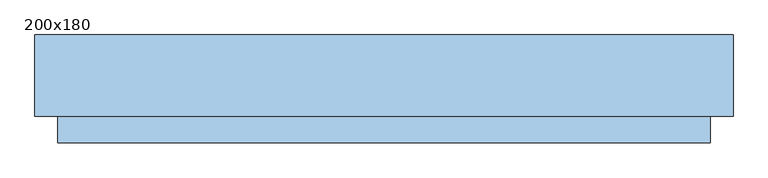
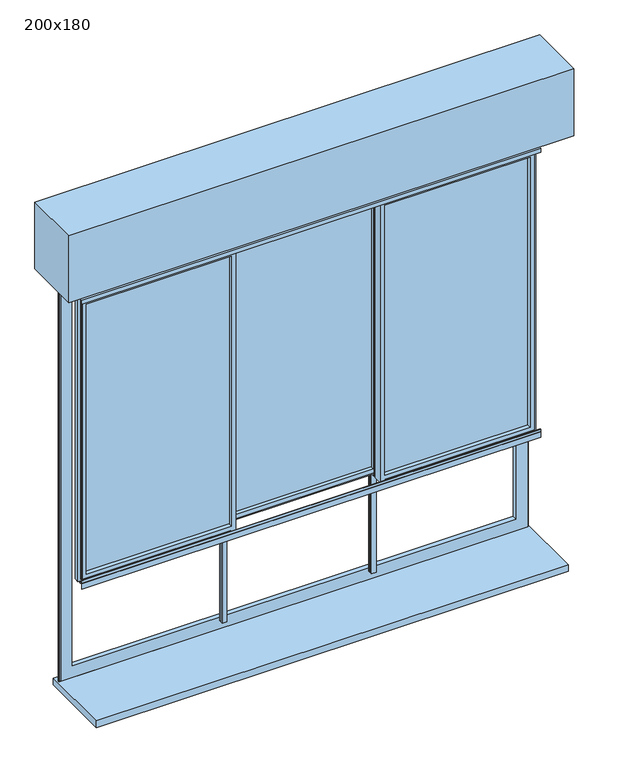
"""IFC4 building model written with IfcOpenShell, lengths in millimetres: window geometry, 200x180."""

import ifcopenshell
import ifcopenshell.guid

model = None  # the IFC model being written
_history = None  # IfcOwnerHistory: only IFC2X3 demands one
_inside = {}  # id of a spatial element -> (the spatial element, [elements in it])
_under = {}  # id of a project, library or spatial element -> (it, [spatial elements below it])
_declared = {}  # id of a project -> (the project, [libraries it declares])
_typed = {}  # id of a type object -> (the type object, [elements of that type])
_made_of = {}  # id of a material, layer set ... -> (it, [elements and type objects made of it])


def new_model(schema):
    """Start an empty IFC model of exactly this schema.

    Asked for "IFC4X3", IfcOpenShell would pick the latest addendum, in which some entities
    have other attributes; the version numbers below select the first issue.
    IFC2X3 requires an IfcOwnerHistory on every rooted entity: one is made here for all.
    """
    global model, _history
    if schema == "IFC4X3":
        model = ifcopenshell.file(schema_version=(4, 3, 0, 0))
    else:
        model = ifcopenshell.file(schema=schema)
    _inside.clear()
    _under.clear()
    _declared.clear()
    _typed.clear()
    _made_of.clear()
    _history = None
    if model.schema == "IFC2X3":
        org = make("IfcOrganization", Name="unknown")
        user = make(
            "IfcPersonAndOrganization",
            ThePerson=make("IfcPerson", FamilyName="unknown"),
            TheOrganization=org,
        )
        app = make(
            "IfcApplication",
            ApplicationDeveloper=org,
            Version="unknown",
            ApplicationFullName="unknown",
            ApplicationIdentifier="unknown",
        )
        _history = make(
            "IfcOwnerHistory",
            OwningUser=user,
            OwningApplication=app,
            ChangeAction="ADDED",
            CreationDate=0,
        )
    return model


def make(cls, **values):
    """One entity of the class cls with the attributes given. An attribute that is None is left unset."""
    return model.create_entity(
        cls, **{name: value for name, value in values.items() if value is not None}
    )


def rooted(cls, **values):
    """An entity with a GlobalId (a new one), such as an element, a storey or a relation."""
    return make(cls, GlobalId=ifcopenshell.guid.new(), OwnerHistory=_history, **values)


def si_unit(unit_type, name, prefix=None):
    """IfcSIUnit, for example si_unit("LENGTHUNIT", "METRE", prefix="MILLI")."""
    return make("IfcSIUnit", UnitType=unit_type, Prefix=prefix, Name=name)


def assignment(units):
    """IfcUnitAssignment: the units of a project."""
    return None if units is None else make("IfcUnitAssignment", Units=units)


def point(xyz):
    """IfcCartesianPoint."""
    return None if xyz is None else make("IfcCartesianPoint", Coordinates=xyz)


def direction(xyz):
    """IfcDirection."""
    return None if xyz is None else make("IfcDirection", DirectionRatios=xyz)


def frame(location, z_axis=None, x_axis=None):
    """IfcAxis2Placement3D, a coordinate frame: its origin and axes. An axis left out is left unset."""
    return make(
        "IfcAxis2Placement3D",
        Location=point(location),
        Axis=direction(z_axis),
        RefDirection=direction(x_axis),
    )


def origin():
    """The frame at (0, 0, 0) with its axes left unset."""
    return frame((0.0, 0.0, 0.0))


def place(relative_to, where):
    """IfcLocalPlacement: puts the frame where relative to a parent placement (None: the world)."""
    return make(
        "IfcLocalPlacement", PlacementRelTo=relative_to, RelativePlacement=where
    )


def context(
    kind, dimensions, precision=None, world=None, true_north=None, identifier=None
):
    """IfcGeometricRepresentationContext, for example the 3D "Model" context."""
    return make(
        "IfcGeometricRepresentationContext",
        ContextIdentifier=identifier,
        ContextType=kind,
        CoordinateSpaceDimension=dimensions,
        Precision=precision,
        WorldCoordinateSystem=world,
        TrueNorth=true_north,
    )


def project(units=None, contexts=None):
    """IfcProject with its units and contexts."""
    return rooted(
        "IfcProject",
        Name="project",
        RepresentationContexts=contexts,
        UnitsInContext=assignment(units),
    )


def spatial(cls, under=None, at=None, **own):
    """A site, building, storey or space (cls), placed at a placement, below another one or the project."""
    s = rooted(cls, ObjectPlacement=at, **own)
    if under is not None:
        _under.setdefault(under.id(), (under, []))[1].append(s)
    return s


def polyline(points):
    """IfcPolyline through the points."""
    return make("IfcPolyline", Points=[point(p) for p in points])


def outline(outer, holes=None, kind="AREA"):
    """IfcArbitraryClosedProfileDef: a profile drawn as a closed curve; with holes, ...WithVoids."""
    if holes is None:
        return make("IfcArbitraryClosedProfileDef", ProfileType=kind, OuterCurve=outer)
    return make(
        "IfcArbitraryProfileDefWithVoids",
        ProfileType=kind,
        OuterCurve=outer,
        InnerCurves=holes,
    )


def extrude(swept, where, along, depth):
    """IfcExtrudedAreaSolid: the profile swept, set in the frame where, extruded along a direction by depth."""
    return make(
        "IfcExtrudedAreaSolid",
        SweptArea=swept,
        Position=where,
        ExtrudedDirection=direction(along),
        Depth=depth,
    )


def faces_of(points, faces, orient=None, outer=None):
    """IfcFace entities. A face is a list of loops; a loop is a list of indices into points, from 0.

    orient and outer hold one flag for each loop. By default every Orientation is true, the
    first loop of a face is its IfcFaceOuterBound and the others are IfcFaceBound.
    """
    made = []
    for i, loops in enumerate(faces):
        bounds = []
        for j, loop in enumerate(loops):
            is_outer = j == 0 if outer is None else outer[i][j]
            bounds.append(
                make(
                    "IfcFaceOuterBound" if is_outer else "IfcFaceBound",
                    Bound=make("IfcPolyLoop", Polygon=[points[k] for k in loop]),
                    Orientation=True if orient is None else orient[i][j],
                )
            )
        made.append(make("IfcFace", Bounds=bounds))
    return made


def faceted_brep(points, faces, orient=None, outer=None, voids=None):
    """IfcFacetedBrep: a solid bounded by flat faces; with voids (closed shells), ...WithVoids."""
    shared = [point(p) for p in points]
    hull = make("IfcClosedShell", CfsFaces=faces_of(shared, faces, orient, outer))
    if voids is None:
        return make("IfcFacetedBrep", Outer=hull)
    return make(
        "IfcFacetedBrepWithVoids",
        Outer=hull,
        Voids=[
            make(cls, CfsFaces=faces_of(shared, fs, o, b)) for cls, fs, o, b in voids
        ],
    )


def shape(context_of_items, identifier, shape_type, items):
    """IfcShapeRepresentation: the items that make up one representation, for example the "Body"."""
    return make(
        "IfcShapeRepresentation",
        ContextOfItems=context_of_items,
        RepresentationIdentifier=identifier,
        RepresentationType=shape_type,
        Items=items,
    )


def source(mapping_origin, context_of_items, identifier, shape_type, items):
    """IfcRepresentationMap: a shape defined once, which mapped items show again and again."""
    return make(
        "IfcRepresentationMap",
        MappingOrigin=mapping_origin,
        MappedRepresentation=shape(context_of_items, identifier, shape_type, items),
    )


def transform(
    local_origin,
    x_axis=None,
    y_axis=None,
    z_axis=None,
    scale=None,
    scale2=None,
    scale3=None,
    uniform=True,
):
    """IfcCartesianTransformationOperator3D, or its non-uniform kind. x_axis, y_axis, z_axis: its Axis1, 2, 3."""
    if uniform:
        return make(
            "IfcCartesianTransformationOperator3D",
            Axis1=direction(x_axis),
            Axis2=direction(y_axis),
            LocalOrigin=point(local_origin),
            Scale=scale,
            Axis3=direction(z_axis),
        )
    return make(
        "IfcCartesianTransformationOperator3DnonUniform",
        Axis1=direction(x_axis),
        Axis2=direction(y_axis),
        LocalOrigin=point(local_origin),
        Scale=scale,
        Axis3=direction(z_axis),
        Scale2=scale2,
        Scale3=scale3,
    )


def mapped(mapping_source, mapping_target):
    """IfcMappedItem: shows the shape of a source again, moved by a transform."""
    return make(
        "IfcMappedItem", MappingSource=mapping_source, MappingTarget=mapping_target
    )


def made_of(thing, what):
    """Note that an element or type object is made of a material, layer set ...; save() writes the relation."""
    if what is not None:
        _made_of.setdefault(what.id(), (what, []))[1].append(thing)
    return thing


def element(
    cls,
    number,
    at=None,
    inside=None,
    cuts=None,
    type_object=None,
    material=None,
    context=None,
    identifier="Body",
    shape_type=None,
    held_by="IfcProductDefinitionShape",
    body=None,
    shapes=None,
    **own,
):
    """One element of the class cls, such as IfcWall. Its Tag is "e" and its number.

    at: its placement. inside: the storey or other place that contains it. cuts: it is an
    opening in that element (IfcRelVoidsElement). A single representation is given by context,
    identifier, shape_type and body (its items); several are given by shapes. held_by: the class
    of the entity that holds the representations. save() writes the other relations.
    """
    e = rooted(cls, Tag="e%d" % number, ObjectPlacement=at, **own)
    if body is not None:
        shapes = [shape(context, identifier, shape_type, body)]
    if shapes is not None:
        e.Representation = make(held_by, Representations=shapes)
    if inside is not None:
        _inside.setdefault(inside.id(), (inside, []))[1].append(e)
    if cuts is not None:
        rooted(
            "IfcRelVoidsElement", RelatingBuildingElement=cuts, RelatedOpeningElement=e
        )
    if type_object is not None:
        _typed.setdefault(type_object.id(), (type_object, []))[1].append(e)
    return made_of(e, material)


def aggregate(whole, parts):
    """IfcRelAggregates: a whole, such as a stair, and the parts it consists of."""
    return rooted("IfcRelAggregates", RelatingObject=whole, RelatedObjects=parts)


def save(model, path):
    """Write the relations noted so far, then the file.

    IfcRelAggregates (storeys below a building ...), IfcRelContainedInSpatialStructure (elements
    in a storey), IfcRelDefinesByType, IfcRelAssociatesMaterial and IfcRelDeclares: one each for
    every whole, place, type object, material and project.
    """
    for whole, parts in _under.values():
        aggregate(whole, parts)
    for where, things in _inside.values():
        rooted(
            "IfcRelContainedInSpatialStructure",
            RelatedElements=things,
            RelatingStructure=where,
        )
    for kind, things in _typed.values():
        rooted("IfcRelDefinesByType", RelatedObjects=things, RelatingType=kind)
    for what, things in _made_of.values():
        rooted("IfcRelAssociatesMaterial", RelatedObjects=things, RelatingMaterial=what)
    for by, libraries in _declared.values():
        rooted("IfcRelDeclares", RelatingContext=by, RelatedDefinitions=libraries)
    model.write(path)


def window_200x180_13e6b09a(model_context):
    return source(origin(), model_context, "Body", "SolidModel", [
        extrude(outline(polyline([(1871.5, 940.7), (1775.5, 940.7), (1775.5, 966.7), (1871.5, 966.7), (1871.5, 940.7)]), holes=[polyline([(1778.5, 963.7), (1778.5, 943.7), (1868.5, 943.7), (1868.5, 963.7), (1778.5, 963.7)])]), frame((0.0, 32.25, 0.0), z_axis=(0.0, 1.0, 0.0), x_axis=(0.0, 0.0, 1.0)), (0.0, 0.0, 1.0), 10.0),
        extrude(outline(polyline([(1871.5, -888.3), (1871.5, -914.3), (1775.5, -914.3), (1775.5, -888.3), (1871.5, -888.3)]), holes=[polyline([(1778.5, -911.3), (1868.5, -911.3), (1868.5, -891.3), (1778.5, -891.3), (1778.5, -911.3)])]), frame((0.0, 32.65, 0.0), z_axis=(0.0, 1.0, 0.0), x_axis=(0.0, 0.0, 1.0)), (0.0, 0.0, 1.0), 10.0),
        extrude(outline(polyline([(1096.2, -93.75), (-1043.8, -93.75), (-1043.8, 156.25), (1096.2, 156.25), (1096.2, -93.75)])), frame((0.0, 0.0, 2523.5), z_axis=(0.0, 0.0, 1.0), x_axis=(1.0, 0.0, 0.0)), (0.0, 0.0, 1.0), 300.0),
        extrude(outline(polyline([(57.45, 2431.9), (61.75, 2431.9), (61.75, 2434.1), (67.4000001, 2434.1), (67.4000001, 2443.9), (88.6999999, 2443.9), (88.6999999, 2434.1), (94.35, 2434.1), (94.35, 2431.9), (98.65, 2431.9), (98.65, 2414.0), (81.05, 2414.0), (81.05, 2423.4), (75.05, 2423.4), (75.05, 2414.0), (57.45, 2414.0), (57.45, 2431.9)])), frame((-290.1333333, 0.0, 0.0), z_axis=(1.0, 0.0, 0.0), x_axis=(0.0, 1.0, 0.0)), (0.0, 0.0, 1.0), 632.6666667),
        extrude(outline(polyline([(57.45, 1186.15), (57.45, 1204.05), (75.05, 1204.05), (75.05, 1194.65), (81.05, 1194.65), (81.05, 1204.05), (98.65, 1204.05), (98.65, 1186.15), (94.35, 1186.15), (94.35, 1183.95), (88.6999999, 1183.95), (88.6999999, 1174.15), (67.4000001, 1174.15), (67.4000001, 1183.95), (61.75, 1183.95), (61.75, 1186.15), (57.45, 1186.15)])), frame((-290.1333333, 0.0, 0.0), z_axis=(1.0, 0.0, 0.0), x_axis=(0.0, 1.0, 0.0)), (0.0, 0.0, 1.0), 632.6666667),
        extrude(outline(polyline([(-288.6333333, 87.45), (-280.1333333, 87.45), (-280.1333333, 81.05), (-300.1333333, 81.05), (-300.1333333, 87.45), (-291.6333333, 87.45), (-291.6333333, 96.25), (-288.6333333, 96.25), (-288.6333333, 87.45)])), frame((0.0, 0.0, 729.0), z_axis=(0.0, 0.0, 1.0), x_axis=(1.0, 0.0, 0.0)), (0.0, 0.0, 1.0), 444.5),
        extrude(outline(polyline([(-300.1333333, 69.05), (-300.1333333, 75.05), (-280.1333333, 75.05), (-280.1333333, 69.05), (-300.1333333, 69.05)])), frame((0.0, 0.0, 729.0), z_axis=(0.0, 0.0, 1.0), x_axis=(1.0, 0.0, 0.0)), (0.0, 0.0, 1.0), 444.5),
        extrude(outline(polyline([(341.0333333, 87.45), (341.0333333, 96.25), (344.0333333, 96.25), (344.0333333, 87.45), (352.5333333, 87.45), (352.5333333, 81.05), (332.5333333, 81.05), (332.5333333, 87.45), (341.0333333, 87.45)])), frame((0.0, 0.0, 729.0), z_axis=(0.0, 0.0, 1.0), x_axis=(1.0, 0.0, 0.0)), (0.0, 0.0, 1.0), 444.5),
        extrude(outline(polyline([(352.5333333, 69.05), (332.5333333, 69.05), (332.5333333, 75.05), (352.5333333, 75.05), (352.5333333, 69.05)])), frame((0.0, 0.0, 729.0), z_axis=(0.0, 0.0, 1.0), x_axis=(1.0, 0.0, 0.0)), (0.0, 0.0, 1.0), 444.5),
        extrude(outline(polyline([(-923.7, 20.25), (-923.7, 26.25), (-289.1333333, 26.25), (-289.1333333, 20.25), (-923.7, 20.25)])), frame((0.0, 0.0, 1194.65), z_axis=(0.0, 0.0, 1.0), x_axis=(1.0, 0.0, 0.0)), (0.0, 0.0, 1.0), 1228.75),
        extrude(outline(polyline([(976.1, 20.25), (342.5333333, 20.25), (342.5333333, 26.25), (976.1, 26.25), (976.1, 20.25)])), frame((0.0, 0.0, 1194.65), z_axis=(0.0, 0.0, 1.0), x_axis=(1.0, 0.0, 0.0)), (0.0, 0.0, 1.0), 1228.75),
        extrude(outline(polyline([(342.5333333, 75.05), (-290.1333333, 75.05), (-290.1333333, 81.05), (342.5333333, 81.05), (342.5333333, 75.05)])), frame((0.0, 0.0, 1194.65), z_axis=(0.0, 0.0, 1.0), x_axis=(1.0, 0.0, 0.0)), (0.0, 0.0, 1.0), 1228.75),
        faceted_brep([(-281.1333333, 2.65, 1173.5), (-299.1333333, 2.65, 1173.5), (-299.1333333, 14.25, 1173.5), (-288.9081444, 14.25, 1173.5), (-288.9081444, 32.25, 1173.5), (-299.1333333, 32.25, 1173.5), (-299.1333333, 43.85, 1173.5), (-284.9364704, 43.85, 1173.5), (-284.9364704, 50.1440374, 1173.5), (-288.2414696, 50.1440374, 1173.5), (-292.4491159, 51.5636227, 1173.5), (-292.4491159, 53.95, 1173.5), (-283.1599431, 53.95, 1173.5), (-283.1599431, 43.85, 1173.5), (-281.1333333, 43.85, 1173.5), (-281.1333333, 2.65, 2443.9), (-281.1333333, 43.85, 2443.9), (-283.1599431, 43.85, 2443.9), (-283.1599431, 53.95, 2443.9), (-292.4491159, 53.95, 2443.9), (-292.4491159, 51.5636227, 2443.9), (-288.2414696, 50.1440374, 2443.9), (-284.9364704, 50.1440374, 2443.9), (-284.9364704, 43.85, 2443.9), (-299.1333333, 43.85, 2443.9), (-299.1333333, 33.8999999, 2443.9), (-944.2, 33.8999999, 2443.9), (-944.2, 12.6000001, 2443.9), (-299.1333333, 12.6000001, 2443.9), (-299.1333333, 2.65, 2443.9), (-288.9081444, 14.25, 2443.9), (-290.1333333, 14.25, 2443.9), (-290.1333333, 32.25, 2443.9), (-288.9081444, 32.25, 2443.9), (-299.1333333, 2.65, 2431.9), (-932.2, 2.65, 2431.9), (-932.2, 2.65, 1185.9300791), (-299.1333333, 2.65, 1185.9300791), (-914.3, 2.65, 2414.0), (-299.1333333, 2.65, 2414.0), (-299.1333333, 2.65, 1203.8300791), (-914.3, 2.65, 1203.8300791), (-299.1333333, 6.95, 1185.9300791), (-299.1333333, 6.95, 1183.7300791), (-299.1333333, 12.6000001, 1183.7300791), (-299.1333333, 12.6000001, 1173.9300791), (-299.1333333, 14.25, 1173.9300791), (-299.1333333, 12.6000001, 2434.1), (-299.1333333, 6.95, 2434.1), (-299.1333333, 6.95, 2431.9), (-299.1333333, 14.25, 2414.0), (-299.1333333, 14.25, 1203.8300791), (-290.1333333, 14.25, 1173.9300791), (-290.1333333, 14.25, 1203.8300791), (-290.1333333, 14.25, 2414.0), (-290.1333333, 32.25, 2414.0), (-299.1333333, 32.25, 2414.0), (-299.1333333, 32.25, 1203.8300791), (-290.1333333, 32.25, 1203.8300791), (-290.1333333, 32.25, 1173.9300791), (-299.1333333, 32.25, 1173.9300791), (-299.1333333, 33.8999999, 1173.9300791), (-299.1333333, 33.8999999, 1183.7300791), (-299.1333333, 39.55, 1183.7300791), (-299.1333333, 39.55, 1185.9300791), (-299.1333333, 43.85, 1185.9300791), (-299.1333333, 43.85, 2431.9), (-299.1333333, 39.55, 2431.9), (-299.1333333, 39.55, 2434.1), (-299.1333333, 33.8999999, 2434.1), (-299.1333333, 43.85, 2414.0), (-299.1333333, 43.85, 1203.8300791), (-290.1333333, 20.25, 1203.8300791), (-290.1333333, 26.25, 1203.8300791), (-290.1333333, 26.25, 1194.4300791), (-290.1333333, 20.25, 1194.4300791), (-914.3, 20.25, 1203.8300791), (-923.7, 20.25, 1194.4300791), (-923.7, 20.25, 2423.4), (-290.1333333, 20.25, 2423.4), (-290.1333333, 20.25, 2414.0), (-914.3, 20.25, 2414.0), (-923.7, 26.25, 1194.4300791), (-914.3, 26.25, 1203.8300791), (-914.3, 26.25, 2414.0), (-290.1333333, 26.25, 2414.0), (-290.1333333, 26.25, 2423.4), (-923.7, 26.25, 2423.4), (-914.3, 43.85, 1203.8300791), (-932.2, 43.85, 1185.9300791), (-932.2, 39.55, 1185.9300791), (-934.4, 39.55, 1183.7300791), (-934.4, 39.55, 2434.1), (-932.2, 39.55, 2431.9), (-934.4, 33.8999999, 1183.7300791), (-944.2, 33.8999999, 1173.9300791), (-934.4, 33.8999999, 2434.1), (-944.2, 12.6000001, 1173.9300791), (-934.4, 12.6000001, 1183.7300791), (-934.4, 12.6000001, 2434.1), (-934.4, 6.95, 1183.7300791), (-932.2, 6.95, 1185.9300791), (-932.2, 6.95, 2431.9), (-934.4, 6.95, 2434.1), (-914.3, 43.85, 2414.0), (-932.2, 43.85, 2431.9)], [[[0, 1, 2, 3, 4, 5, 6, 7, 8, 9, 10, 11, 12, 13, 14]], [[15, 16, 17, 18, 19, 20, 21, 22, 23, 24, 25, 26, 27, 28, 29], [30, 31, 32, 33]], [[0, 15, 29, 34, 35, 36, 37, 1], [38, 39, 40, 41]], [[1, 37, 42, 43, 44, 45, 46, 2]], [[28, 47, 48, 49, 34, 29]], [[39, 50, 51, 40]], [[2, 46, 52, 53, 51, 50, 54, 31, 30, 3]], [[3, 30, 33, 4]], [[4, 33, 32, 55, 56, 57, 58, 59, 60, 5]], [[5, 60, 61, 62, 63, 64, 65, 6]], [[24, 66, 67, 68, 69, 25]], [[56, 70, 71, 57]], [[13, 17, 16, 14]], [[72, 53, 52, 59, 58, 73, 74, 75]], [[41, 40, 51, 53, 72, 76]], [[75, 77, 78, 79, 80, 81, 76, 72]], [[74, 82, 77, 75]], [[73, 83, 84, 85, 86, 87, 82, 74]], [[73, 58, 57, 71, 88, 83]], [[89, 65, 64, 90]], [[90, 64, 63, 91, 92, 68, 67, 93]], [[91, 63, 62, 94]], [[94, 62, 61, 95, 26, 25, 69, 96]], [[95, 61, 60, 59, 52, 46, 45, 97]], [[97, 45, 44, 98, 99, 47, 28, 27]], [[98, 44, 43, 100]], [[100, 43, 42, 101, 102, 49, 48, 103]], [[101, 42, 37, 36]], [[41, 76, 81, 38]], [[77, 82, 87, 78]], [[83, 88, 104, 84]], [[89, 90, 93, 105]], [[91, 94, 96, 92]], [[95, 97, 27, 26]], [[98, 100, 103, 99]], [[35, 102, 101, 36]], [[79, 86, 85, 55, 32, 31, 54, 80]], [[80, 54, 50, 39, 38, 81]], [[78, 87, 86, 79]], [[84, 104, 70, 56, 55, 85]], [[93, 67, 66, 105]], [[96, 69, 68, 92]], [[103, 48, 47, 99]], [[35, 34, 49, 102]], [[14, 16, 15, 0]], [[12, 18, 17, 13]], [[11, 19, 18, 12]], [[10, 20, 19, 11]], [[9, 21, 20, 10]], [[8, 22, 21, 9]], [[7, 23, 22, 8]], [[6, 65, 89, 105, 66, 24, 23, 7], [88, 71, 70, 104]]]),
        faceted_brep([(-299.1333333, 98.65, 1173.5), (-281.1333333, 98.65, 1173.5), (-281.1333333, 87.05, 1173.5), (-291.5067236, 87.05, 1173.5), (-291.5067236, 69.05, 1173.5), (-281.1333333, 69.05, 1173.5), (-281.1333333, 57.45, 1173.5), (-295.4150676, 57.45, 1173.5), (-295.4150676, 51.1559626, 1173.5), (-292.0251971, 51.1559626, 1173.5), (-287.8175508, 49.7071538, 1173.5), (-287.8175508, 47.35, 1173.5), (-297.1915949, 47.35, 1173.5), (-297.1915949, 57.45, 1173.5), (-299.1333333, 57.45, 1173.5), (-299.1333333, 98.65, 2443.9), (-299.1333333, 57.45, 2443.9), (-297.1915949, 57.45, 2443.9), (-297.1915949, 47.35, 2443.9), (-287.8175508, 47.35, 2443.9), (-287.8175508, 49.7071538, 2443.9), (-292.0251971, 51.1559626, 2443.9), (-295.4150676, 51.1559626, 2443.9), (-295.4150676, 57.45, 2443.9), (-281.1333333, 57.45, 2443.9), (-281.1333333, 69.05, 2443.9), (-291.5067236, 69.05, 2443.9), (-291.5067236, 87.05, 2443.9), (-281.1333333, 87.05, 2443.9), (-281.1333333, 98.65, 2443.9)], [[[0, 1, 2, 3, 4, 5, 6, 7, 8, 9, 10, 11, 12, 13, 14]], [[15, 16, 17, 18, 19, 20, 21, 22, 23, 24, 25, 26, 27, 28, 29]], [[0, 15, 29, 1]], [[1, 29, 28, 2]], [[2, 28, 27, 3]], [[3, 27, 26, 4]], [[4, 26, 25, 5]], [[7, 23, 22, 8]], [[8, 22, 21, 9]], [[9, 21, 20, 10]], [[10, 20, 19, 11]], [[11, 19, 18, 12]], [[12, 18, 17, 13]], [[13, 17, 16, 14]], [[14, 16, 15, 0]], [[6, 24, 23, 7]], [[5, 25, 24, 6]]]),
        faceted_brep([(333.5333333, 2.65, 1173.5), (333.5333333, 43.85, 1173.5), (335.5599431, 43.85, 1173.5), (335.5599431, 53.95, 1173.5), (344.8491159, 53.95, 1173.5), (344.8491159, 51.5636227, 1173.5), (340.6414696, 50.1440374, 1173.5), (337.3364704, 50.1440374, 1173.5), (337.3364704, 43.85, 1173.5), (351.5333333, 43.85, 1173.5), (351.5333333, 32.25, 1173.5), (341.3081444, 32.25, 1173.5), (341.3081444, 14.25, 1173.5), (351.5333333, 14.25, 1173.5), (351.5333333, 2.65, 1173.5), (333.5333333, 2.65, 2443.9), (351.5333333, 2.65, 2443.9), (351.5333333, 12.6000001, 2443.9), (996.6, 12.6000001, 2443.9), (996.6, 33.8999999, 2443.9), (351.5333333, 33.8999999, 2443.9), (351.5333333, 43.85, 2443.9), (337.3364704, 43.85, 2443.9), (337.3364704, 50.1440374, 2443.9), (340.6414696, 50.1440374, 2443.9), (344.8491159, 51.5636227, 2443.9), (344.8491159, 53.95, 2443.9), (335.5599431, 53.95, 2443.9), (335.5599431, 43.85, 2443.9), (333.5333333, 43.85, 2443.9), (341.3081444, 14.25, 2443.9), (341.3081444, 32.25, 2443.9), (342.5333333, 32.25, 2443.9), (342.5333333, 14.25, 2443.9), (342.5333333, 26.25, 1203.8300791), (342.5333333, 32.25, 1203.8300791), (342.5333333, 32.25, 1173.9300791), (342.5333333, 14.25, 1173.9300791), (342.5333333, 14.25, 1203.8300791), (342.5333333, 20.25, 1203.8300791), (342.5333333, 20.25, 1194.4300791), (342.5333333, 26.25, 1194.4300791), (342.5333333, 20.25, 2414.0), (342.5333333, 14.25, 2414.0), (342.5333333, 32.25, 2414.0), (342.5333333, 26.25, 2414.0), (342.5333333, 26.25, 2423.4), (342.5333333, 20.25, 2423.4), (966.7, 43.85, 1203.8300791), (351.5333333, 43.85, 1203.8300791), (351.5333333, 32.25, 1203.8300791), (966.7, 26.25, 1203.8300791), (976.1, 26.25, 1194.4300791), (976.1, 26.25, 2423.4), (966.7, 26.25, 2414.0), (976.1, 20.25, 1194.4300791), (966.7, 20.25, 1203.8300791), (966.7, 20.25, 2414.0), (976.1, 20.25, 2423.4), (351.5333333, 14.25, 1203.8300791), (351.5333333, 2.65, 1203.8300791), (966.7, 2.65, 1203.8300791), (984.6, 2.65, 1185.9300791), (351.5333333, 2.65, 1185.9300791), (351.5333333, 6.95, 1185.9300791), (984.6, 6.95, 1185.9300791), (351.5333333, 6.95, 1183.7300791), (986.8, 6.95, 1183.7300791), (986.8, 6.95, 2434.1), (351.5333333, 6.95, 2434.1), (351.5333333, 6.95, 2431.9), (984.6, 6.95, 2431.9), (351.5333333, 12.6000001, 1183.7300791), (986.8, 12.6000001, 1183.7300791), (351.5333333, 12.6000001, 1173.9300791), (996.6, 12.6000001, 1173.9300791), (351.5333333, 12.6000001, 2434.1), (986.8, 12.6000001, 2434.1), (351.5333333, 14.25, 1173.9300791), (351.5333333, 32.25, 1173.9300791), (351.5333333, 33.8999999, 1173.9300791), (996.6, 33.8999999, 1173.9300791), (351.5333333, 33.8999999, 1183.7300791), (986.8, 33.8999999, 1183.7300791), (986.8, 33.8999999, 2434.1), (351.5333333, 33.8999999, 2434.1), (351.5333333, 39.55, 1183.7300791), (986.8, 39.55, 1183.7300791), (351.5333333, 39.55, 1185.9300791), (984.6, 39.55, 1185.9300791), (984.6, 39.55, 2431.9), (351.5333333, 39.55, 2431.9), (351.5333333, 39.55, 2434.1), (986.8, 39.55, 2434.1), (351.5333333, 43.85, 1185.9300791), (984.6, 43.85, 1185.9300791), (966.7, 43.85, 2414.0), (966.7, 2.65, 2414.0), (984.6, 2.65, 2431.9), (984.6, 43.85, 2431.9), (351.5333333, 32.25, 2414.0), (351.5333333, 43.85, 2414.0), (351.5333333, 2.65, 2414.0), (351.5333333, 14.25, 2414.0), (351.5333333, 2.65, 2431.9), (351.5333333, 43.85, 2431.9)], [[[0, 1, 2, 3, 4, 5, 6, 7, 8, 9, 10, 11, 12, 13, 14]], [[15, 16, 17, 18, 19, 20, 21, 22, 23, 24, 25, 26, 27, 28, 29], [30, 31, 32, 33]], [[34, 35, 36, 37, 38, 39, 40, 41]], [[42, 43, 33, 32, 44, 45, 46, 47]], [[48, 49, 50, 35, 34, 51]], [[41, 52, 53, 46, 45, 54, 51, 34]], [[40, 55, 52, 41]], [[39, 56, 57, 42, 47, 58, 55, 40]], [[39, 38, 59, 60, 61, 56]], [[62, 63, 64, 65]], [[65, 64, 66, 67, 68, 69, 70, 71]], [[67, 66, 72, 73]], [[73, 72, 74, 75, 18, 17, 76, 77]], [[75, 74, 78, 37, 36, 79, 80, 81]], [[81, 80, 82, 83, 84, 85, 20, 19]], [[83, 82, 86, 87]], [[87, 86, 88, 89, 90, 91, 92, 93]], [[89, 88, 94, 95]], [[48, 51, 54, 96]], [[52, 55, 58, 53]], [[56, 61, 97, 57]], [[62, 65, 71, 98]], [[67, 73, 77, 68]], [[75, 81, 19, 18]], [[83, 87, 93, 84]], [[99, 90, 89, 95]], [[45, 44, 100, 101, 96, 54]], [[46, 53, 58, 47]], [[57, 97, 102, 103, 43, 42]], [[71, 70, 104, 98]], [[77, 76, 69, 68]], [[93, 92, 85, 84]], [[99, 105, 91, 90]], [[14, 63, 62, 98, 104, 16, 15, 0], [102, 97, 61, 60]], [[60, 59, 103, 102]], [[16, 104, 70, 69, 76, 17]], [[13, 78, 74, 72, 66, 64, 63, 14]], [[12, 30, 33, 43, 103, 59, 38, 37, 78, 13]], [[11, 31, 30, 12]], [[10, 79, 36, 35, 50, 100, 44, 32, 31, 11]], [[50, 49, 101, 100]], [[20, 85, 92, 91, 105, 21]], [[9, 94, 88, 86, 82, 80, 79, 10]], [[8, 22, 21, 105, 99, 95, 94, 9], [49, 48, 96, 101]], [[7, 23, 22, 8]], [[6, 24, 23, 7]], [[5, 25, 24, 6]], [[4, 26, 25, 5]], [[3, 27, 26, 4]], [[2, 28, 27, 3]], [[1, 29, 28, 2]], [[0, 15, 29, 1]]]),
        faceted_brep([(351.5333333, 98.65, 1173.5), (351.5333333, 57.45, 1173.5), (349.5915949, 57.45, 1173.5), (349.5915949, 47.35, 1173.5), (340.2175508, 47.35, 1173.5), (340.2175508, 49.7071538, 1173.5), (344.4251971, 51.1559626, 1173.5), (347.8150676, 51.1559626, 1173.5), (347.8150676, 57.45, 1173.5), (333.5333333, 57.45, 1173.5), (333.5333333, 69.05, 1173.5), (343.9067236, 69.05, 1173.5), (343.9067236, 87.05, 1173.5), (333.5333333, 87.05, 1173.5), (333.5333333, 98.65, 1173.5), (351.5333333, 98.65, 2443.9), (333.5333333, 98.65, 2443.9), (333.5333333, 87.05, 2443.9), (343.9067236, 87.05, 2443.9), (343.9067236, 69.05, 2443.9), (333.5333333, 69.05, 2443.9), (333.5333333, 57.45, 2443.9), (347.8150676, 57.45, 2443.9), (347.8150676, 51.1559626, 2443.9), (344.4251971, 51.1559626, 2443.9), (340.2175508, 49.7071538, 2443.9), (340.2175508, 47.35, 2443.9), (349.5915949, 47.35, 2443.9), (349.5915949, 57.45, 2443.9), (351.5333333, 57.45, 2443.9)], [[[0, 1, 2, 3, 4, 5, 6, 7, 8, 9, 10, 11, 12, 13, 14]], [[15, 16, 17, 18, 19, 20, 21, 22, 23, 24, 25, 26, 27, 28, 29]], [[14, 16, 15, 0]], [[13, 17, 16, 14]], [[12, 18, 17, 13]], [[11, 19, 18, 12]], [[10, 20, 19, 11]], [[9, 21, 20, 10]], [[8, 22, 21, 9]], [[7, 23, 22, 8]], [[6, 24, 23, 7]], [[5, 25, 24, 6]], [[4, 26, 25, 5]], [[3, 27, 26, 4]], [[2, 28, 27, 3]], [[1, 29, 28, 2]], [[0, 15, 29, 1]]]),
        extrude(outline(polyline([(-19.55, 2456.5), (-4.95, 2456.5), (-4.95, 2455.0), (-17.55, 2455.0), (-17.55, 2437.5), (-19.55, 2437.5), (-19.55, 2456.5)])), frame((-946.45, 0.0, 0.0), z_axis=(1.0, 0.0, 0.0), x_axis=(0.0, 1.0, 0.0)), (0.0, 0.0, 1.0), 1945.3),
        extrude(outline(polyline([(-19.55, 1160.0), (-19.55, 1186.0), (-16.65, 1186.0), (-16.05, 1186.6), (-19.55, 1186.6), (-19.55, 1197.7), (-17.55, 1197.7), (-17.55, 1188.1), (-13.95, 1188.1), (-13.95, 1185.7), (-4.95, 1185.7), (-4.95, 1181.2), (-18.35, 1181.2), (-18.35, 1160.0), (-19.55, 1160.0)])), frame((-946.45, 0.0, 0.0), z_axis=(1.0, 0.0, 0.0), x_axis=(0.0, 1.0, 0.0)), (0.0, 0.0, 1.0), 1945.3),
        extrude(outline(polyline([(1026.2, -173.75), (-973.8, -173.75), (-973.8, 143.25), (1026.2, 143.25), (1026.2, -173.75)])), frame((0.0, 0.0, 643.5), z_axis=(0.0, 0.0, 1.0), x_axis=(1.0, 0.0, 0.0)), (0.0, 0.0, 1.0), 30.0),
        faceted_brep([(965.85, 106.25, 729.0), (965.85, 106.25, 2412.0), (965.85, 126.4, 2412.0), (965.85, 126.4, 729.0), (1016.5502862, 110.5, 678.2997138), (1016.5502862, 110.5, 2462.7002862), (1016.5502862, 106.25, 2462.7002862), (1016.5502862, 106.25, 678.2997138), (1021.35, 114.1, 673.5), (1021.35, 114.1, 2467.5), (1021.35, 110.5, 2467.5), (1021.35, 110.5, 673.5), (986.35, 117.0431112, 708.5), (986.35, 117.0431112, 2432.5), (986.35, 114.1, 2432.5), (986.35, 114.1, 708.5), (986.95, 117.9, 707.9), (986.95, 117.9, 2433.1), (986.95, 126.4, 707.9), (986.95, 126.4, 2433.1), (-913.45, 106.25, 2412.0), (-913.45, 126.4, 2412.0), (-964.1502862, 110.5, 2462.7002862), (-964.1502862, 106.25, 2462.7002862), (-968.95, 114.1, 2467.5), (-968.95, 110.5, 2467.5), (-933.95, 117.0431112, 2432.5), (-933.95, 114.1, 2432.5), (-934.55, 117.9, 2433.1), (-934.55, 126.4, 2433.1), (-913.45, 106.25, 729.0), (-913.45, 126.4, 729.0), (-964.1502862, 110.5, 678.2997138), (-964.1502862, 106.25, 678.2997138), (-968.95, 114.1, 673.5), (-968.95, 110.5, 673.5), (-933.95, 117.0431112, 708.5), (-933.95, 114.1, 708.5), (-934.55, 117.9, 707.9), (-934.55, 126.4, 707.9)], [[[0, 1, 2, 3]], [[4, 5, 6, 7]], [[8, 9, 10, 11]], [[12, 13, 14, 15]], [[16, 17, 13, 12]], [[18, 19, 17, 16]], [[1, 20, 21, 2]], [[5, 22, 23, 6]], [[9, 24, 25, 10]], [[13, 26, 27, 14]], [[17, 28, 26, 13]], [[19, 29, 28, 17]], [[20, 30, 31, 21]], [[22, 32, 33, 23]], [[24, 34, 35, 25]], [[26, 36, 37, 27]], [[28, 38, 36, 26]], [[29, 39, 38, 28]], [[19, 18, 39, 29], [3, 2, 21, 31]], [[30, 0, 3, 31]], [[7, 6, 23, 33], [1, 0, 30, 20]], [[32, 4, 7, 33]], [[11, 10, 25, 35], [5, 4, 32, 22]], [[34, 8, 11, 35]], [[9, 8, 34, 24], [15, 14, 27, 37]], [[36, 12, 15, 37]], [[38, 16, 12, 36]], [[39, 18, 16, 38]]]),
        extrude(outline(polyline([(57.45, 2431.9), (61.75, 2431.9), (61.75, 2434.1), (67.4000001, 2434.1), (67.4000001, 2443.9), (88.6999999, 2443.9), (88.6999999, 2434.1), (94.35, 2434.1), (94.35, 2431.9), (98.65, 2431.9), (98.65, 2414.0), (81.05, 2414.0), (81.05, 2423.4), (75.05, 2423.4), (75.05, 2414.0), (57.45, 2414.0), (57.45, 2431.9)])), frame((-290.1333333, 0.0, 0.0), z_axis=(1.0, 0.0, 0.0), x_axis=(0.0, 1.0, 0.0)), (0.0, 0.0, 1.0), 632.6666667),
        extrude(outline(polyline([(57.45, 1186.15), (57.45, 1204.05), (75.05, 1204.05), (75.05, 1194.65), (81.05, 1194.65), (81.05, 1204.05), (98.65, 1204.05), (98.65, 1186.15), (94.35, 1186.15), (94.35, 1183.95), (88.6999999, 1183.95), (88.6999999, 1174.15), (67.4000001, 1174.15), (67.4000001, 1183.95), (61.75, 1183.95), (61.75, 1186.15), (57.45, 1186.15)])), frame((-290.1333333, 0.0, 0.0), z_axis=(1.0, 0.0, 0.0), x_axis=(0.0, 1.0, 0.0)), (0.0, 0.0, 1.0), 632.6666667),
    ])


if __name__ == "__main__":
    model = new_model("IFC4")
    model_context = context("Model", 3, world=origin())
    ifc_project = project(units=[si_unit("LENGTHUNIT", "METRE", prefix="MILLI")], contexts=[model_context])
    site = spatial("IfcSite", under=ifc_project)
    building = spatial("IfcBuilding", under=site)
    placement = place(None, origin())
    window_200x180_shape = window_200x180_13e6b09a(model_context)
    element("IfcWindow", 1, ObjectType="200x180", at=placement, inside=building, context=model_context, shape_type="MappedRepresentation", body=[
        mapped(window_200x180_shape, transform((0.0, 0.0, 0.0), x_axis=(1.0, 0.0, 0.0), y_axis=(0.0, 1.0, 0.0), z_axis=(0.0, 0.0, 1.0))),
    ])
    save(model, "model.ifc")
